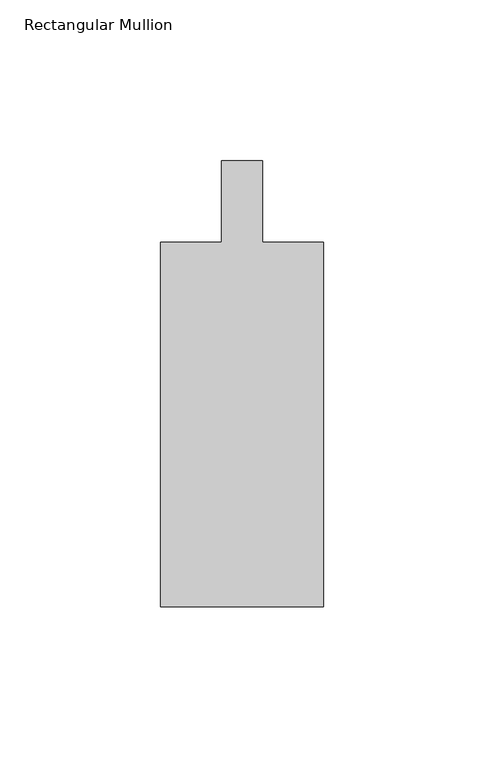
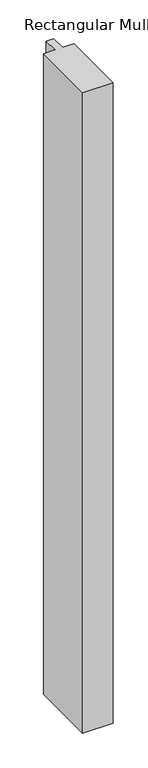
"""IFC4 building model written with IfcOpenShell, lengths in millimetres: member geometry, Rectangular Mullion."""

from ifc_helpers import new_model, si_unit, frame, origin, place, context, project, spatial, polyline, outline, extrude, source, transform, mapped, element, save


def rectangular_mullion_534bde07(model_context):
    return source(origin(), model_context, "Body", "SweptSolid", [
        extrude(outline(polyline([(-25.4, -138.90625), (-25.4, -25.4), (-6.35, -25.4), (-6.35, 0.0), (6.35, 0.0), (6.35, -25.4), (25.4, -25.4), (25.4, -138.90625), (-25.4, -138.90625)])), frame((0.0, 0.0, -1130.3), z_axis=(0.0, 0.0, 1.0), x_axis=(1.0, 0.0, 0.0)), (0.0, 0.0, 1.0), 1130.3),
    ])


if __name__ == "__main__":
    model = new_model("IFC4")
    model_context = context("Model", 3, world=origin())
    ifc_project = project(units=[si_unit("LENGTHUNIT", "METRE", prefix="MILLI")], contexts=[model_context])
    site = spatial("IfcSite", under=ifc_project)
    building = spatial("IfcBuilding", under=site)
    placement = place(None, origin())
    rectangular_mullion_shape = rectangular_mullion_534bde07(model_context)
    element("IfcMember", 1, ObjectType="Rectangular Mullion", at=placement, inside=building, context=model_context, shape_type="MappedRepresentation", body=[
        mapped(rectangular_mullion_shape, transform((0.0, 0.0, 0.0), x_axis=(1.0, 0.0, 0.0), y_axis=(0.0, 1.0, 0.0), z_axis=(0.0, 0.0, 1.0))),
    ])
    save(model, "model.ifc")
